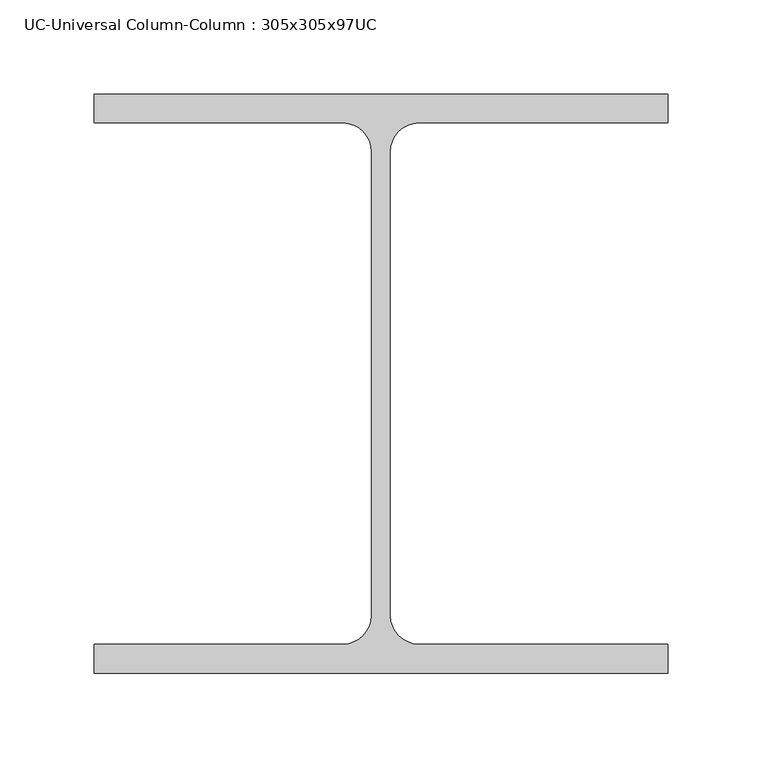
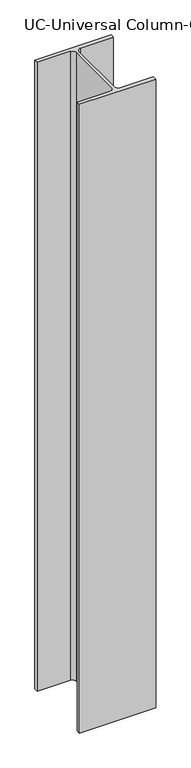
"""IFC4 building model written with IfcOpenShell, lengths in millimetres: column geometry, UC-Universal Column-Column : 305x305x97UC."""

from ifc_helpers import new_model, si_unit, point, frame, frame_2d, origin, place, context, project, spatial, polyline, circle_curve, trimmed, segment, composite_curve, outline, extrude, source, transform, mapped, element, save


def uc_universal_column_column_305x305x97uc_ace4cf05(model_context):
    return source(origin(), model_context, "Body", "SweptSolid", [
        extrude(outline(composite_curve([segment(polyline([(152.65, 153.95), (152.65, 138.55), (20.15, 138.55)]), True, "CONTINUOUS"), segment(trimmed(circle_curve(frame_2d((20.15, 123.35)), 15.2), [point((20.15, 138.55))], [point((4.95, 123.35))], True, "CARTESIAN"), True, "CONTINUOUS"), segment(polyline([(4.95, 123.35), (4.95, -123.35)]), True, "CONTINUOUS"), segment(trimmed(circle_curve(frame_2d((20.15, -123.35)), 15.2), [point((4.95, -123.35))], [point((20.15, -138.55))], True, "CARTESIAN"), True, "CONTINUOUS"), segment(polyline([(20.15, -138.55), (152.65, -138.55), (152.65, -153.95), (-152.65, -153.95), (-152.65, -138.55), (-20.15, -138.55)]), True, "CONTINUOUS"), segment(trimmed(circle_curve(frame_2d((-20.15, -123.35)), 15.2), [point((-20.15, -138.55))], [point((-4.95, -123.35))], True, "CARTESIAN"), True, "CONTINUOUS"), segment(polyline([(-4.95, -123.35), (-4.95, 123.35)]), True, "CONTINUOUS"), segment(trimmed(circle_curve(frame_2d((-20.15, 123.35)), 15.2), [point((-4.95, 123.35))], [point((-20.15, 138.55))], True, "CARTESIAN"), True, "CONTINUOUS"), segment(polyline([(-20.15, 138.55), (-152.65, 138.55), (-152.65, 153.95), (152.65, 153.95)]), True, "CONTINUOUS")], self_intersect=False)), frame((0.0, 0.0, 12962.0), z_axis=(0.0, 0.0, 1.0), x_axis=(1.0, 0.0, 0.0)), (0.0, 0.0, 1.0), 2658.0),
    ])


if __name__ == "__main__":
    model = new_model("IFC4")
    model_context = context("Model", 3, world=origin())
    ifc_project = project(units=[si_unit("LENGTHUNIT", "METRE", prefix="MILLI")], contexts=[model_context])
    site = spatial("IfcSite", under=ifc_project)
    building = spatial("IfcBuilding", under=site)
    placement = place(None, origin())
    uc_universal_column_column_305x305x97uc_shape = uc_universal_column_column_305x305x97uc_ace4cf05(model_context)
    element("IfcColumn", 1, ObjectType="UC-Universal Column-Column : 305x305x97UC", at=placement, inside=building, context=model_context, shape_type="MappedRepresentation", body=[
        mapped(uc_universal_column_column_305x305x97uc_shape, transform((0.0, 0.0, 0.0), x_axis=(1.0, 0.0, 0.0), y_axis=(0.0, 1.0, 0.0), z_axis=(0.0, 0.0, 1.0))),
    ])
    save(model, "model.ifc")
